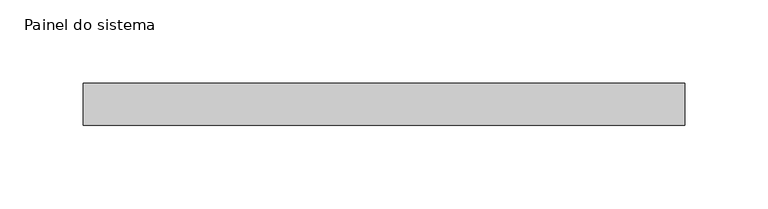
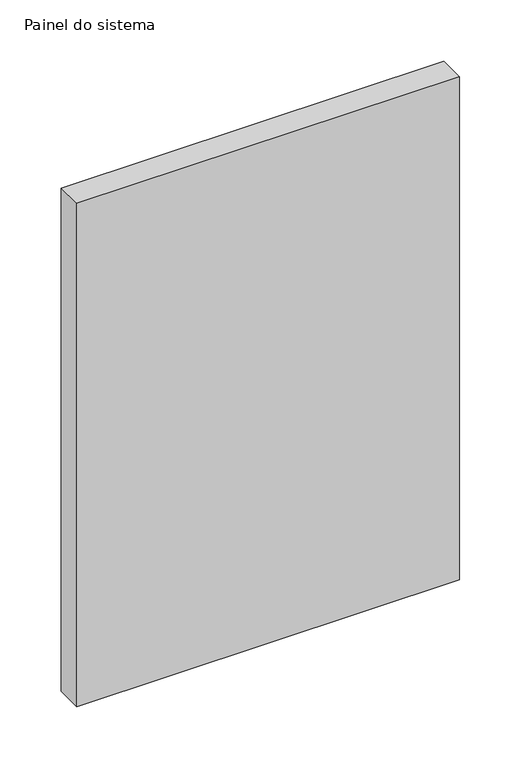
"""IFC4 building model written with IfcOpenShell, lengths in millimetres: plate geometry, Painel do sistema."""

from ifc_helpers import new_model, si_unit, origin, origin_with_axes, place, context, project, spatial, polyline, outline, extrude, source, transform, mapped, element, save


def painel_do_sistema_abfc0c67(model_context):
    return source(origin(), model_context, "Body", "SweptSolid", [
        extrude(outline(polyline([(180.0, 24.5), (-180.0, 24.5), (-180.0, 49.5), (180.0, 49.5), (180.0, 24.5)])), origin_with_axes(), (0.0, 0.0, 1.0), 500.0),
    ])


if __name__ == "__main__":
    model = new_model("IFC4")
    model_context = context("Model", 3, world=origin())
    ifc_project = project(units=[si_unit("LENGTHUNIT", "METRE", prefix="MILLI")], contexts=[model_context])
    site = spatial("IfcSite", under=ifc_project)
    building = spatial("IfcBuilding", under=site)
    placement = place(None, origin())
    painel_do_sistema_shape = painel_do_sistema_abfc0c67(model_context)
    element("IfcPlate", 1, ObjectType="Painel do sistema", at=placement, inside=building, context=model_context, shape_type="MappedRepresentation", body=[
        mapped(painel_do_sistema_shape, transform((0.0, 0.0, 0.0), x_axis=(1.0, 0.0, 0.0), y_axis=(0.0, 1.0, 0.0), z_axis=(0.0, 0.0, 1.0))),
    ])
    save(model, "model.ifc")
